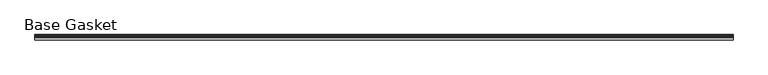
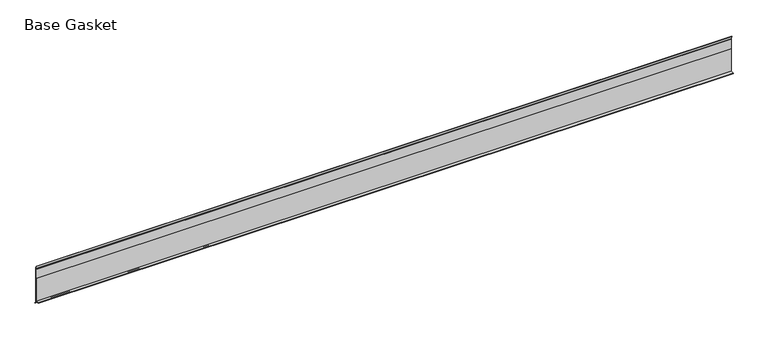
"""IFC4 building model written with IfcOpenShell, lengths in millimetres: furniture geometry, Base Gasket."""

import ifcopenshell
import ifcopenshell.guid

model = None  # the IFC model being written
_history = None  # IfcOwnerHistory: only IFC2X3 demands one
_inside = {}  # id of a spatial element -> (the spatial element, [elements in it])
_under = {}  # id of a project, library or spatial element -> (it, [spatial elements below it])
_declared = {}  # id of a project -> (the project, [libraries it declares])
_typed = {}  # id of a type object -> (the type object, [elements of that type])
_made_of = {}  # id of a material, layer set ... -> (it, [elements and type objects made of it])


def new_model(schema):
    """Start an empty IFC model of exactly this schema.

    Asked for "IFC4X3", IfcOpenShell would pick the latest addendum, in which some entities
    have other attributes; the version numbers below select the first issue.
    IFC2X3 requires an IfcOwnerHistory on every rooted entity: one is made here for all.
    """
    global model, _history
    if schema == "IFC4X3":
        model = ifcopenshell.file(schema_version=(4, 3, 0, 0))
    else:
        model = ifcopenshell.file(schema=schema)
    _inside.clear()
    _under.clear()
    _declared.clear()
    _typed.clear()
    _made_of.clear()
    _history = None
    if model.schema == "IFC2X3":
        org = make("IfcOrganization", Name="unknown")
        user = make(
            "IfcPersonAndOrganization",
            ThePerson=make("IfcPerson", FamilyName="unknown"),
            TheOrganization=org,
        )
        app = make(
            "IfcApplication",
            ApplicationDeveloper=org,
            Version="unknown",
            ApplicationFullName="unknown",
            ApplicationIdentifier="unknown",
        )
        _history = make(
            "IfcOwnerHistory",
            OwningUser=user,
            OwningApplication=app,
            ChangeAction="ADDED",
            CreationDate=0,
        )
    return model


def make(cls, **values):
    """One entity of the class cls with the attributes given. An attribute that is None is left unset."""
    return model.create_entity(
        cls, **{name: value for name, value in values.items() if value is not None}
    )


def rooted(cls, **values):
    """An entity with a GlobalId (a new one), such as an element, a storey or a relation."""
    return make(cls, GlobalId=ifcopenshell.guid.new(), OwnerHistory=_history, **values)


def si_unit(unit_type, name, prefix=None):
    """IfcSIUnit, for example si_unit("LENGTHUNIT", "METRE", prefix="MILLI")."""
    return make("IfcSIUnit", UnitType=unit_type, Prefix=prefix, Name=name)


def assignment(units):
    """IfcUnitAssignment: the units of a project."""
    return None if units is None else make("IfcUnitAssignment", Units=units)


def point(xyz):
    """IfcCartesianPoint."""
    return None if xyz is None else make("IfcCartesianPoint", Coordinates=xyz)


def direction(xyz):
    """IfcDirection."""
    return None if xyz is None else make("IfcDirection", DirectionRatios=xyz)


def frame(location, z_axis=None, x_axis=None):
    """IfcAxis2Placement3D, a coordinate frame: its origin and axes. An axis left out is left unset."""
    return make(
        "IfcAxis2Placement3D",
        Location=point(location),
        Axis=direction(z_axis),
        RefDirection=direction(x_axis),
    )


def origin():
    """The frame at (0, 0, 0) with its axes left unset."""
    return frame((0.0, 0.0, 0.0))


def place(relative_to, where):
    """IfcLocalPlacement: puts the frame where relative to a parent placement (None: the world)."""
    return make(
        "IfcLocalPlacement", PlacementRelTo=relative_to, RelativePlacement=where
    )


def context(
    kind, dimensions, precision=None, world=None, true_north=None, identifier=None
):
    """IfcGeometricRepresentationContext, for example the 3D "Model" context."""
    return make(
        "IfcGeometricRepresentationContext",
        ContextIdentifier=identifier,
        ContextType=kind,
        CoordinateSpaceDimension=dimensions,
        Precision=precision,
        WorldCoordinateSystem=world,
        TrueNorth=true_north,
    )


def project(units=None, contexts=None):
    """IfcProject with its units and contexts."""
    return rooted(
        "IfcProject",
        Name="project",
        RepresentationContexts=contexts,
        UnitsInContext=assignment(units),
    )


def spatial(cls, under=None, at=None, **own):
    """A site, building, storey or space (cls), placed at a placement, below another one or the project."""
    s = rooted(cls, ObjectPlacement=at, **own)
    if under is not None:
        _under.setdefault(under.id(), (under, []))[1].append(s)
    return s


def polyline(points):
    """IfcPolyline through the points."""
    return make("IfcPolyline", Points=[point(p) for p in points])


def outline(outer, holes=None, kind="AREA"):
    """IfcArbitraryClosedProfileDef: a profile drawn as a closed curve; with holes, ...WithVoids."""
    if holes is None:
        return make("IfcArbitraryClosedProfileDef", ProfileType=kind, OuterCurve=outer)
    return make(
        "IfcArbitraryProfileDefWithVoids",
        ProfileType=kind,
        OuterCurve=outer,
        InnerCurves=holes,
    )


def extrude(swept, where, along, depth):
    """IfcExtrudedAreaSolid: the profile swept, set in the frame where, extruded along a direction by depth."""
    return make(
        "IfcExtrudedAreaSolid",
        SweptArea=swept,
        Position=where,
        ExtrudedDirection=direction(along),
        Depth=depth,
    )


def shape(context_of_items, identifier, shape_type, items):
    """IfcShapeRepresentation: the items that make up one representation, for example the "Body"."""
    return make(
        "IfcShapeRepresentation",
        ContextOfItems=context_of_items,
        RepresentationIdentifier=identifier,
        RepresentationType=shape_type,
        Items=items,
    )


def source(mapping_origin, context_of_items, identifier, shape_type, items):
    """IfcRepresentationMap: a shape defined once, which mapped items show again and again."""
    return make(
        "IfcRepresentationMap",
        MappingOrigin=mapping_origin,
        MappedRepresentation=shape(context_of_items, identifier, shape_type, items),
    )


def transform(
    local_origin,
    x_axis=None,
    y_axis=None,
    z_axis=None,
    scale=None,
    scale2=None,
    scale3=None,
    uniform=True,
):
    """IfcCartesianTransformationOperator3D, or its non-uniform kind. x_axis, y_axis, z_axis: its Axis1, 2, 3."""
    if uniform:
        return make(
            "IfcCartesianTransformationOperator3D",
            Axis1=direction(x_axis),
            Axis2=direction(y_axis),
            LocalOrigin=point(local_origin),
            Scale=scale,
            Axis3=direction(z_axis),
        )
    return make(
        "IfcCartesianTransformationOperator3DnonUniform",
        Axis1=direction(x_axis),
        Axis2=direction(y_axis),
        LocalOrigin=point(local_origin),
        Scale=scale,
        Axis3=direction(z_axis),
        Scale2=scale2,
        Scale3=scale3,
    )


def mapped(mapping_source, mapping_target):
    """IfcMappedItem: shows the shape of a source again, moved by a transform."""
    return make(
        "IfcMappedItem", MappingSource=mapping_source, MappingTarget=mapping_target
    )


def made_of(thing, what):
    """Note that an element or type object is made of a material, layer set ...; save() writes the relation."""
    if what is not None:
        _made_of.setdefault(what.id(), (what, []))[1].append(thing)
    return thing


def element(
    cls,
    number,
    at=None,
    inside=None,
    cuts=None,
    type_object=None,
    material=None,
    context=None,
    identifier="Body",
    shape_type=None,
    held_by="IfcProductDefinitionShape",
    body=None,
    shapes=None,
    **own,
):
    """One element of the class cls, such as IfcWall. Its Tag is "e" and its number.

    at: its placement. inside: the storey or other place that contains it. cuts: it is an
    opening in that element (IfcRelVoidsElement). A single representation is given by context,
    identifier, shape_type and body (its items); several are given by shapes. held_by: the class
    of the entity that holds the representations. save() writes the other relations.
    """
    e = rooted(cls, Tag="e%d" % number, ObjectPlacement=at, **own)
    if body is not None:
        shapes = [shape(context, identifier, shape_type, body)]
    if shapes is not None:
        e.Representation = make(held_by, Representations=shapes)
    if inside is not None:
        _inside.setdefault(inside.id(), (inside, []))[1].append(e)
    if cuts is not None:
        rooted(
            "IfcRelVoidsElement", RelatingBuildingElement=cuts, RelatedOpeningElement=e
        )
    if type_object is not None:
        _typed.setdefault(type_object.id(), (type_object, []))[1].append(e)
    return made_of(e, material)


def aggregate(whole, parts):
    """IfcRelAggregates: a whole, such as a stair, and the parts it consists of."""
    return rooted("IfcRelAggregates", RelatingObject=whole, RelatedObjects=parts)


def save(model, path):
    """Write the relations noted so far, then the file.

    IfcRelAggregates (storeys below a building ...), IfcRelContainedInSpatialStructure (elements
    in a storey), IfcRelDefinesByType, IfcRelAssociatesMaterial and IfcRelDeclares: one each for
    every whole, place, type object, material and project.
    """
    for whole, parts in _under.values():
        aggregate(whole, parts)
    for where, things in _inside.values():
        rooted(
            "IfcRelContainedInSpatialStructure",
            RelatedElements=things,
            RelatingStructure=where,
        )
    for kind, things in _typed.values():
        rooted("IfcRelDefinesByType", RelatedObjects=things, RelatingType=kind)
    for what, things in _made_of.values():
        rooted("IfcRelAssociatesMaterial", RelatedObjects=things, RelatingMaterial=what)
    for by, libraries in _declared.values():
        rooted("IfcRelDeclares", RelatingContext=by, RelatedDefinitions=libraries)
    model.write(path)


def base_gasket_85fd9e6e(model_context):
    return source(origin(), model_context, "Body", "SweptSolid", [
        extrude(outline(polyline([(3.7283812, 98.4568417), (3.7283812, 4.3498477), (7.4222115, 0.6560174), (7.8482342, 0.0), (6.8281054, 0.3520979), (2.2043812, 4.3498477), (2.1334222, 6.3818476), (-6.2405171, 6.3818476), (-6.2405171, 7.9398773), (2.2043812, 7.9398773), (2.2043812, 71.4693447), (1.4106313, 71.4693447), (1.4106313, 96.8693477), (2.2043812, 96.8693477), (2.2043812, 98.4568417), (0.6755308, 104.4162708), (0.6755308, 105.2002997), (1.1891543, 104.587663), (3.7283812, 98.4568417)])), frame((-1527.8982117, 0.0, 0.0), z_axis=(1.0, 0.0, 0.0), x_axis=(0.0, 1.0, 0.0)), (0.0, 0.0, 1.0), 1816.3032),
    ])


if __name__ == "__main__":
    model = new_model("IFC4")
    model_context = context("Model", 3, world=origin())
    ifc_project = project(units=[si_unit("LENGTHUNIT", "METRE", prefix="MILLI")], contexts=[model_context])
    site = spatial("IfcSite", under=ifc_project)
    building = spatial("IfcBuilding", under=site)
    placement = place(None, origin())
    base_gasket_shape = base_gasket_85fd9e6e(model_context)
    element("IfcFurniture", 1, ObjectType="Base Gasket", at=placement, inside=building, context=model_context, shape_type="MappedRepresentation", body=[
        mapped(base_gasket_shape, transform((0.0, 0.0, 0.0), x_axis=(1.0, 0.0, 0.0), y_axis=(0.0, 1.0, 0.0), z_axis=(0.0, 0.0, 1.0))),
    ])
    save(model, "model.ifc")
